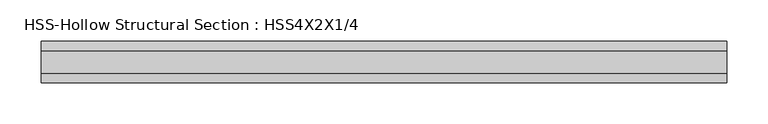
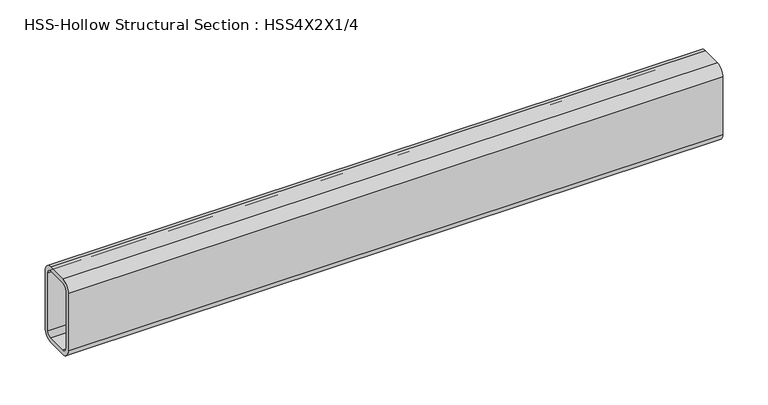
"""IFC4 building model written with IfcOpenShell, lengths in millimetres: beam geometry, HSS-Hollow Structural Section : HSS4X2X1/4."""

from ifc_helpers import new_model, si_unit, point, frame, frame_2d, origin, place, context, project, spatial, polyline, circle_curve, trimmed, segment, composite_curve, outline, extrude, source, transform, mapped, element, save


def hss_hollow_structural_section_hss4x2x1_4_647e9957(model_context):
    return source(origin(), model_context, "Body", "SweptSolid", [
        extrude(outline(composite_curve([segment(polyline([(25.4, 38.9636), (25.4, -38.9636)]), True, "CONTINUOUS"), segment(trimmed(circle_curve(frame_2d((13.5636, -38.9636)), 11.8364), [point((25.4, -38.9636))], [point((13.5636, -50.8))], False, "CARTESIAN"), True, "CONTINUOUS"), segment(polyline([(13.5636, -50.8), (-13.5636, -50.8)]), True, "CONTINUOUS"), segment(trimmed(circle_curve(frame_2d((-13.5636, -38.9636)), 11.8364), [point((-13.5636, -50.8))], [point((-25.4, -38.9636))], False, "CARTESIAN"), True, "CONTINUOUS"), segment(polyline([(-25.4, -38.9636), (-25.4, 38.9636)]), True, "CONTINUOUS"), segment(trimmed(circle_curve(frame_2d((-13.5636, 38.9636)), 11.8364), [point((-25.4, 38.9636))], [point((-13.5636, 50.8))], False, "CARTESIAN"), True, "CONTINUOUS"), segment(polyline([(-13.5636, 50.8), (13.5636, 50.8)]), True, "CONTINUOUS"), segment(trimmed(circle_curve(frame_2d((13.5636, 38.9636)), 11.8364), [point((13.5636, 50.8))], [point((25.4, 38.9636))], False, "CARTESIAN"), True, "CONTINUOUS")], self_intersect=False), holes=[composite_curve([segment(trimmed(circle_curve(frame_2d((-13.5636, 38.9636)), 5.9182), [point((-13.5636, 44.8818))], [point((-19.4818, 38.9636))], True, "CARTESIAN"), True, "CONTINUOUS"), segment(polyline([(-19.4818, 38.9636), (-19.4818, -38.9636)]), True, "CONTINUOUS"), segment(trimmed(circle_curve(frame_2d((-13.5636, -38.9636)), 5.9182), [point((-19.4818, -38.9636))], [point((-13.5636, -44.8818))], True, "CARTESIAN"), True, "CONTINUOUS"), segment(polyline([(-13.5636, -44.8818), (13.5636, -44.8818)]), True, "CONTINUOUS"), segment(trimmed(circle_curve(frame_2d((13.5636, -38.9636)), 5.9182), [point((13.5636, -44.8818))], [point((19.4818, -38.9636))], True, "CARTESIAN"), True, "CONTINUOUS"), segment(polyline([(19.4818, -38.9636), (19.4818, 38.9636)]), True, "CONTINUOUS"), segment(trimmed(circle_curve(frame_2d((13.5636, 38.9636)), 5.9182), [point((19.4818, 38.9636))], [point((13.5636, 44.8818))], True, "CARTESIAN"), True, "CONTINUOUS"), segment(polyline([(13.5636, 44.8818), (-13.5636, 44.8818)]), True, "CONTINUOUS")], self_intersect=False)]), frame((-405.1791448, 0.0, 0.0), z_axis=(1.0, 0.0, 0.0), x_axis=(0.0, 1.0, 0.0)), (0.0, 0.0, 1.0), 835.617672),
    ])


if __name__ == "__main__":
    model = new_model("IFC4")
    model_context = context("Model", 3, world=origin())
    ifc_project = project(units=[si_unit("LENGTHUNIT", "METRE", prefix="MILLI")], contexts=[model_context])
    site = spatial("IfcSite", under=ifc_project)
    building = spatial("IfcBuilding", under=site)
    placement = place(None, origin())
    hss_hollow_structural_section_hss4x2x1_4_shape = hss_hollow_structural_section_hss4x2x1_4_647e9957(model_context)
    element("IfcBeam", 1, ObjectType="HSS-Hollow Structural Section : HSS4X2X1/4", at=placement, inside=building, context=model_context, shape_type="MappedRepresentation", body=[
        mapped(hss_hollow_structural_section_hss4x2x1_4_shape, transform((0.0, 0.0, 0.0), x_axis=(1.0, 0.0, 0.0), y_axis=(0.0, 1.0, 0.0), z_axis=(0.0, 0.0, 1.0))),
    ])
    save(model, "model.ifc")
